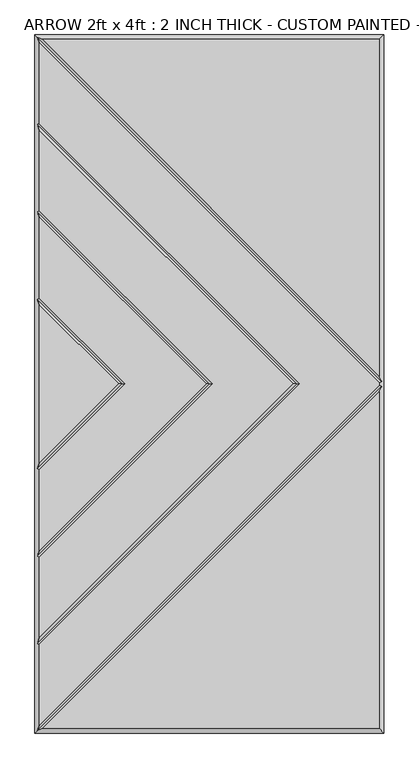
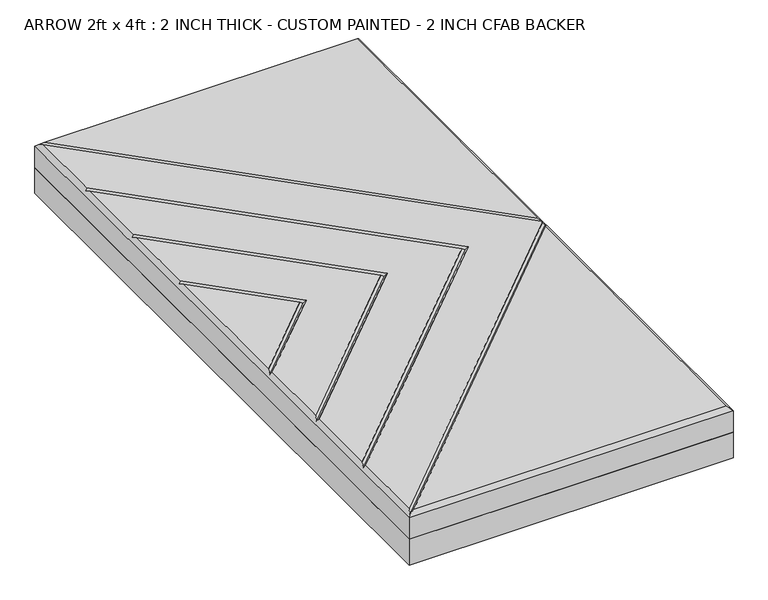
"""IFC4 building model written with IfcOpenShell, lengths in millimetres: proxy geometry, ARROW 2ft x 4ft : 2 INCH THICK - CUSTOM PAINTED - 2 INCH CFAB BACKER."""

import ifcopenshell
import ifcopenshell.guid

model = None  # the IFC model being written
_history = None  # IfcOwnerHistory: only IFC2X3 demands one
_inside = {}  # id of a spatial element -> (the spatial element, [elements in it])
_under = {}  # id of a project, library or spatial element -> (it, [spatial elements below it])
_declared = {}  # id of a project -> (the project, [libraries it declares])
_typed = {}  # id of a type object -> (the type object, [elements of that type])
_made_of = {}  # id of a material, layer set ... -> (it, [elements and type objects made of it])


def new_model(schema):
    """Start an empty IFC model of exactly this schema.

    Asked for "IFC4X3", IfcOpenShell would pick the latest addendum, in which some entities
    have other attributes; the version numbers below select the first issue.
    IFC2X3 requires an IfcOwnerHistory on every rooted entity: one is made here for all.
    """
    global model, _history
    if schema == "IFC4X3":
        model = ifcopenshell.file(schema_version=(4, 3, 0, 0))
    else:
        model = ifcopenshell.file(schema=schema)
    _inside.clear()
    _under.clear()
    _declared.clear()
    _typed.clear()
    _made_of.clear()
    _history = None
    if model.schema == "IFC2X3":
        org = make("IfcOrganization", Name="unknown")
        user = make(
            "IfcPersonAndOrganization",
            ThePerson=make("IfcPerson", FamilyName="unknown"),
            TheOrganization=org,
        )
        app = make(
            "IfcApplication",
            ApplicationDeveloper=org,
            Version="unknown",
            ApplicationFullName="unknown",
            ApplicationIdentifier="unknown",
        )
        _history = make(
            "IfcOwnerHistory",
            OwningUser=user,
            OwningApplication=app,
            ChangeAction="ADDED",
            CreationDate=0,
        )
    return model


def make(cls, **values):
    """One entity of the class cls with the attributes given. An attribute that is None is left unset."""
    return model.create_entity(
        cls, **{name: value for name, value in values.items() if value is not None}
    )


def rooted(cls, **values):
    """An entity with a GlobalId (a new one), such as an element, a storey or a relation."""
    return make(cls, GlobalId=ifcopenshell.guid.new(), OwnerHistory=_history, **values)


def si_unit(unit_type, name, prefix=None):
    """IfcSIUnit, for example si_unit("LENGTHUNIT", "METRE", prefix="MILLI")."""
    return make("IfcSIUnit", UnitType=unit_type, Prefix=prefix, Name=name)


def assignment(units):
    """IfcUnitAssignment: the units of a project."""
    return None if units is None else make("IfcUnitAssignment", Units=units)


def point(xyz):
    """IfcCartesianPoint."""
    return None if xyz is None else make("IfcCartesianPoint", Coordinates=xyz)


def direction(xyz):
    """IfcDirection."""
    return None if xyz is None else make("IfcDirection", DirectionRatios=xyz)


def frame(location, z_axis=None, x_axis=None):
    """IfcAxis2Placement3D, a coordinate frame: its origin and axes. An axis left out is left unset."""
    return make(
        "IfcAxis2Placement3D",
        Location=point(location),
        Axis=direction(z_axis),
        RefDirection=direction(x_axis),
    )


def origin():
    """The frame at (0, 0, 0) with its axes left unset."""
    return frame((0.0, 0.0, 0.0))


def place(relative_to, where):
    """IfcLocalPlacement: puts the frame where relative to a parent placement (None: the world)."""
    return make(
        "IfcLocalPlacement", PlacementRelTo=relative_to, RelativePlacement=where
    )


def context(
    kind, dimensions, precision=None, world=None, true_north=None, identifier=None
):
    """IfcGeometricRepresentationContext, for example the 3D "Model" context."""
    return make(
        "IfcGeometricRepresentationContext",
        ContextIdentifier=identifier,
        ContextType=kind,
        CoordinateSpaceDimension=dimensions,
        Precision=precision,
        WorldCoordinateSystem=world,
        TrueNorth=true_north,
    )


def project(units=None, contexts=None):
    """IfcProject with its units and contexts."""
    return rooted(
        "IfcProject",
        Name="project",
        RepresentationContexts=contexts,
        UnitsInContext=assignment(units),
    )


def spatial(cls, under=None, at=None, **own):
    """A site, building, storey or space (cls), placed at a placement, below another one or the project."""
    s = rooted(cls, ObjectPlacement=at, **own)
    if under is not None:
        _under.setdefault(under.id(), (under, []))[1].append(s)
    return s


def polyline(points):
    """IfcPolyline through the points."""
    return make("IfcPolyline", Points=[point(p) for p in points])


def outline(outer, holes=None, kind="AREA"):
    """IfcArbitraryClosedProfileDef: a profile drawn as a closed curve; with holes, ...WithVoids."""
    if holes is None:
        return make("IfcArbitraryClosedProfileDef", ProfileType=kind, OuterCurve=outer)
    return make(
        "IfcArbitraryProfileDefWithVoids",
        ProfileType=kind,
        OuterCurve=outer,
        InnerCurves=holes,
    )


def extrude(swept, where, along, depth):
    """IfcExtrudedAreaSolid: the profile swept, set in the frame where, extruded along a direction by depth."""
    return make(
        "IfcExtrudedAreaSolid",
        SweptArea=swept,
        Position=where,
        ExtrudedDirection=direction(along),
        Depth=depth,
    )


def faces_of(points, faces, orient=None, outer=None):
    """IfcFace entities. A face is a list of loops; a loop is a list of indices into points, from 0.

    orient and outer hold one flag for each loop. By default every Orientation is true, the
    first loop of a face is its IfcFaceOuterBound and the others are IfcFaceBound.
    """
    made = []
    for i, loops in enumerate(faces):
        bounds = []
        for j, loop in enumerate(loops):
            is_outer = j == 0 if outer is None else outer[i][j]
            bounds.append(
                make(
                    "IfcFaceOuterBound" if is_outer else "IfcFaceBound",
                    Bound=make("IfcPolyLoop", Polygon=[points[k] for k in loop]),
                    Orientation=True if orient is None else orient[i][j],
                )
            )
        made.append(make("IfcFace", Bounds=bounds))
    return made


def faceted_brep(points, faces, orient=None, outer=None, voids=None):
    """IfcFacetedBrep: a solid bounded by flat faces; with voids (closed shells), ...WithVoids."""
    shared = [point(p) for p in points]
    hull = make("IfcClosedShell", CfsFaces=faces_of(shared, faces, orient, outer))
    if voids is None:
        return make("IfcFacetedBrep", Outer=hull)
    return make(
        "IfcFacetedBrepWithVoids",
        Outer=hull,
        Voids=[
            make(cls, CfsFaces=faces_of(shared, fs, o, b)) for cls, fs, o, b in voids
        ],
    )


def shape(context_of_items, identifier, shape_type, items):
    """IfcShapeRepresentation: the items that make up one representation, for example the "Body"."""
    return make(
        "IfcShapeRepresentation",
        ContextOfItems=context_of_items,
        RepresentationIdentifier=identifier,
        RepresentationType=shape_type,
        Items=items,
    )


def source(mapping_origin, context_of_items, identifier, shape_type, items):
    """IfcRepresentationMap: a shape defined once, which mapped items show again and again."""
    return make(
        "IfcRepresentationMap",
        MappingOrigin=mapping_origin,
        MappedRepresentation=shape(context_of_items, identifier, shape_type, items),
    )


def transform(
    local_origin,
    x_axis=None,
    y_axis=None,
    z_axis=None,
    scale=None,
    scale2=None,
    scale3=None,
    uniform=True,
):
    """IfcCartesianTransformationOperator3D, or its non-uniform kind. x_axis, y_axis, z_axis: its Axis1, 2, 3."""
    if uniform:
        return make(
            "IfcCartesianTransformationOperator3D",
            Axis1=direction(x_axis),
            Axis2=direction(y_axis),
            LocalOrigin=point(local_origin),
            Scale=scale,
            Axis3=direction(z_axis),
        )
    return make(
        "IfcCartesianTransformationOperator3DnonUniform",
        Axis1=direction(x_axis),
        Axis2=direction(y_axis),
        LocalOrigin=point(local_origin),
        Scale=scale,
        Axis3=direction(z_axis),
        Scale2=scale2,
        Scale3=scale3,
    )


def mapped(mapping_source, mapping_target):
    """IfcMappedItem: shows the shape of a source again, moved by a transform."""
    return make(
        "IfcMappedItem", MappingSource=mapping_source, MappingTarget=mapping_target
    )


def made_of(thing, what):
    """Note that an element or type object is made of a material, layer set ...; save() writes the relation."""
    if what is not None:
        _made_of.setdefault(what.id(), (what, []))[1].append(thing)
    return thing


def element(
    cls,
    number,
    at=None,
    inside=None,
    cuts=None,
    type_object=None,
    material=None,
    context=None,
    identifier="Body",
    shape_type=None,
    held_by="IfcProductDefinitionShape",
    body=None,
    shapes=None,
    **own,
):
    """One element of the class cls, such as IfcWall. Its Tag is "e" and its number.

    at: its placement. inside: the storey or other place that contains it. cuts: it is an
    opening in that element (IfcRelVoidsElement). A single representation is given by context,
    identifier, shape_type and body (its items); several are given by shapes. held_by: the class
    of the entity that holds the representations. save() writes the other relations.
    """
    e = rooted(cls, Tag="e%d" % number, ObjectPlacement=at, **own)
    if body is not None:
        shapes = [shape(context, identifier, shape_type, body)]
    if shapes is not None:
        e.Representation = make(held_by, Representations=shapes)
    if inside is not None:
        _inside.setdefault(inside.id(), (inside, []))[1].append(e)
    if cuts is not None:
        rooted(
            "IfcRelVoidsElement", RelatingBuildingElement=cuts, RelatedOpeningElement=e
        )
    if type_object is not None:
        _typed.setdefault(type_object.id(), (type_object, []))[1].append(e)
    return made_of(e, material)


def aggregate(whole, parts):
    """IfcRelAggregates: a whole, such as a stair, and the parts it consists of."""
    return rooted("IfcRelAggregates", RelatingObject=whole, RelatedObjects=parts)


def save(model, path):
    """Write the relations noted so far, then the file.

    IfcRelAggregates (storeys below a building ...), IfcRelContainedInSpatialStructure (elements
    in a storey), IfcRelDefinesByType, IfcRelAssociatesMaterial and IfcRelDeclares: one each for
    every whole, place, type object, material and project.
    """
    for whole, parts in _under.values():
        aggregate(whole, parts)
    for where, things in _inside.values():
        rooted(
            "IfcRelContainedInSpatialStructure",
            RelatedElements=things,
            RelatingStructure=where,
        )
    for kind, things in _typed.values():
        rooted("IfcRelDefinesByType", RelatedObjects=things, RelatingType=kind)
    for what, things in _made_of.values():
        rooted("IfcRelAssociatesMaterial", RelatedObjects=things, RelatingMaterial=what)
    for by, libraries in _declared.values():
        rooted("IfcRelDeclares", RelatingContext=by, RelatedDefinitions=libraries)
    model.write(path)


def arrow_2ft_x_4ft_2_inch_thick_custom_painted_2_inch_cfab_3e72fac7(model_context):
    return source(origin(), model_context, "Body", "SolidModel", [
        extrude(outline(polyline([(-304.8, 609.6), (304.8, 609.6), (304.8, -609.6), (-304.8, -609.6), (-304.8, 609.6)])), frame((0.0, 0.0, -50.8), z_axis=(0.0, 0.0, 1.0), x_axis=(1.0, 0.0, 0.0)), (0.0, 0.0, 1.0), 50.8),
        faceted_brep([(296.799, -2.3434386, 50.8), (296.799, 2.3434386, 50.8), (-296.799, 595.9414386, 50.8), (-296.799, 454.8565868, 50.8), (158.0575614, 2.54e-05, 50.8), (-296.799, -454.856536, 50.8), (-296.799, -595.9414386, 50.8), (296.799, 601.599, 50.8), (-291.1414386, 601.599, 50.8), (296.799, 13.6585614, 50.8), (-291.1414386, -601.599, 50.8), (296.799, -601.599, 50.8), (296.799, -13.6585614, 50.8), (146.7424386, 2.54e-05, 50.8), (-296.799, 443.541464, 50.8), (-296.799, 302.4565868, 50.8), (5.6575614, 2.54e-05, 50.8), (-296.799, -302.456536, 50.8), (-296.799, -443.5414132, 50.8), (-5.6575614, 2.54e-05, 50.8), (-296.799, 291.141464, 50.8), (-296.799, 150.0565868, 50.8), (-146.7424386, 2.54e-05, 50.8), (-296.799, -150.056536, 50.8), (-296.799, -291.1414132, 50.8), (-296.799, 138.741464, 50.8), (-296.799, -138.7414132, 50.8), (-158.0575614, 2.54e-05, 50.8), (-304.8, 609.6, 0.0), (304.8, 609.6, 0.0), (304.8, -609.6, 0.0), (-304.8, -609.6, 0.0), (-304.8, -609.6, 42.799), (-304.8, 609.6, 42.799), (304.8, -609.6, 42.799), (304.8, 609.6, 42.799), (-300.7995, 605.5995, 46.7995), (-300.7995, -605.5995, 46.7995), (-300.7995, -453.1994746, 46.7995), (-300.7995, -300.7994746, 46.7995), (-300.7995, -148.3994746, 46.7995), (-300.7995, 148.3995254, 46.7995), (-300.7995, 300.7995254, 46.7995), (-300.7995, 453.1995254, 46.7995), (300.7995, 4.0005, 46.7995), (300.7995, -4.0005, 46.7995), (152.4, 2.54e-05, 46.7995), (0.0, 2.54e-05, 46.7995), (-152.4, 2.54e-05, 46.7995)], [[[0, 1, 2, 3, 4, 5, 6]], [[7, 8, 9]], [[10, 11, 12]], [[13, 14, 15, 16, 17, 18]], [[19, 20, 21, 22, 23, 24]], [[25, 26, 27]], [[28, 29, 30, 31]], [[28, 31, 32, 33]], [[31, 30, 34, 32]], [[30, 29, 35, 34]], [[29, 28, 33, 35]], [[7, 35, 33, 36, 8]], [[33, 32, 37, 6, 5, 38, 18, 17, 39, 24, 23, 40, 26, 25, 41, 21, 20, 42, 15, 14, 43, 3, 2, 36]], [[34, 11, 10, 37, 32]], [[35, 7, 9, 44, 1, 0, 45, 12, 11, 34]], [[36, 44, 9, 8]], [[44, 36, 2, 1]], [[45, 37, 10, 12]], [[37, 45, 0, 6]], [[46, 4, 3, 43]], [[13, 46, 43, 14]], [[4, 46, 38, 5]], [[46, 13, 18, 38]], [[47, 16, 15, 42]], [[19, 47, 42, 20]], [[16, 47, 39, 17]], [[47, 19, 24, 39]], [[48, 22, 21, 41]], [[27, 48, 41, 25]], [[22, 48, 40, 23]], [[48, 27, 26, 40]]]),
    ])


if __name__ == "__main__":
    model = new_model("IFC4")
    model_context = context("Model", 3, world=origin())
    ifc_project = project(units=[si_unit("LENGTHUNIT", "METRE", prefix="MILLI")], contexts=[model_context])
    site = spatial("IfcSite", under=ifc_project)
    building = spatial("IfcBuilding", under=site)
    placement = place(None, origin())
    arrow_2ft_x_4ft_2_inch_thick_custom_painted_2_inch_cfab_shape = arrow_2ft_x_4ft_2_inch_thick_custom_painted_2_inch_cfab_3e72fac7(model_context)
    element("IfcBuildingElementProxy", 1, Name="ARROW 2ft x 4ft : 2 INCH THICK - CUSTOM PAINTED - 2 INCH CFAB BACKER", ObjectType="ARROW 2ft x 4ft : 2 INCH THICK - CUSTOM PAINTED - 2 INCH CFAB BACKER", at=placement, inside=building, context=model_context, shape_type="MappedRepresentation", body=[
        mapped(arrow_2ft_x_4ft_2_inch_thick_custom_painted_2_inch_cfab_shape, transform((0.0, 0.0, 0.0), x_axis=(1.0, 0.0, 0.0), y_axis=(0.0, 1.0, 0.0), z_axis=(0.0, 0.0, 1.0))),
    ])
    save(model, "model.ifc")
